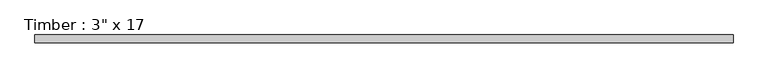
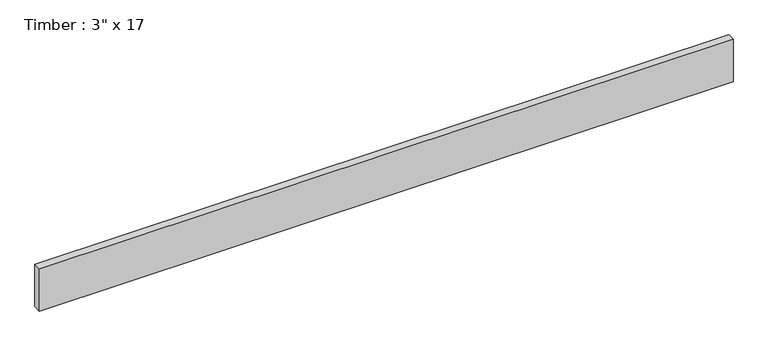
"""IFC4 building model written with IfcOpenShell, lengths in millimetres: beam geometry."""

import ifcopenshell
import ifcopenshell.guid

model = None  # the IFC model being written
_history = None  # IfcOwnerHistory: only IFC2X3 demands one
_inside = {}  # id of a spatial element -> (the spatial element, [elements in it])
_under = {}  # id of a project, library or spatial element -> (it, [spatial elements below it])
_declared = {}  # id of a project -> (the project, [libraries it declares])
_typed = {}  # id of a type object -> (the type object, [elements of that type])
_made_of = {}  # id of a material, layer set ... -> (it, [elements and type objects made of it])


def new_model(schema):
    """Start an empty IFC model of exactly this schema.

    Asked for "IFC4X3", IfcOpenShell would pick the latest addendum, in which some entities
    have other attributes; the version numbers below select the first issue.
    IFC2X3 requires an IfcOwnerHistory on every rooted entity: one is made here for all.
    """
    global model, _history
    if schema == "IFC4X3":
        model = ifcopenshell.file(schema_version=(4, 3, 0, 0))
    else:
        model = ifcopenshell.file(schema=schema)
    _inside.clear()
    _under.clear()
    _declared.clear()
    _typed.clear()
    _made_of.clear()
    _history = None
    if model.schema == "IFC2X3":
        org = make("IfcOrganization", Name="unknown")
        user = make(
            "IfcPersonAndOrganization",
            ThePerson=make("IfcPerson", FamilyName="unknown"),
            TheOrganization=org,
        )
        app = make(
            "IfcApplication",
            ApplicationDeveloper=org,
            Version="unknown",
            ApplicationFullName="unknown",
            ApplicationIdentifier="unknown",
        )
        _history = make(
            "IfcOwnerHistory",
            OwningUser=user,
            OwningApplication=app,
            ChangeAction="ADDED",
            CreationDate=0,
        )
    return model


def make(cls, **values):
    """One entity of the class cls with the attributes given. An attribute that is None is left unset."""
    return model.create_entity(
        cls, **{name: value for name, value in values.items() if value is not None}
    )


def rooted(cls, **values):
    """An entity with a GlobalId (a new one), such as an element, a storey or a relation."""
    return make(cls, GlobalId=ifcopenshell.guid.new(), OwnerHistory=_history, **values)


def si_unit(unit_type, name, prefix=None):
    """IfcSIUnit, for example si_unit("LENGTHUNIT", "METRE", prefix="MILLI")."""
    return make("IfcSIUnit", UnitType=unit_type, Prefix=prefix, Name=name)


def assignment(units):
    """IfcUnitAssignment: the units of a project."""
    return None if units is None else make("IfcUnitAssignment", Units=units)


def point(xyz):
    """IfcCartesianPoint."""
    return None if xyz is None else make("IfcCartesianPoint", Coordinates=xyz)


def direction(xyz):
    """IfcDirection."""
    return None if xyz is None else make("IfcDirection", DirectionRatios=xyz)


def frame(location, z_axis=None, x_axis=None):
    """IfcAxis2Placement3D, a coordinate frame: its origin and axes. An axis left out is left unset."""
    return make(
        "IfcAxis2Placement3D",
        Location=point(location),
        Axis=direction(z_axis),
        RefDirection=direction(x_axis),
    )


def origin():
    """The frame at (0, 0, 0) with its axes left unset."""
    return frame((0.0, 0.0, 0.0))


def place(relative_to, where):
    """IfcLocalPlacement: puts the frame where relative to a parent placement (None: the world)."""
    return make(
        "IfcLocalPlacement", PlacementRelTo=relative_to, RelativePlacement=where
    )


def context(
    kind, dimensions, precision=None, world=None, true_north=None, identifier=None
):
    """IfcGeometricRepresentationContext, for example the 3D "Model" context."""
    return make(
        "IfcGeometricRepresentationContext",
        ContextIdentifier=identifier,
        ContextType=kind,
        CoordinateSpaceDimension=dimensions,
        Precision=precision,
        WorldCoordinateSystem=world,
        TrueNorth=true_north,
    )


def project(units=None, contexts=None):
    """IfcProject with its units and contexts."""
    return rooted(
        "IfcProject",
        Name="project",
        RepresentationContexts=contexts,
        UnitsInContext=assignment(units),
    )


def spatial(cls, under=None, at=None, **own):
    """A site, building, storey or space (cls), placed at a placement, below another one or the project."""
    s = rooted(cls, ObjectPlacement=at, **own)
    if under is not None:
        _under.setdefault(under.id(), (under, []))[1].append(s)
    return s


def polyline(points):
    """IfcPolyline through the points."""
    return make("IfcPolyline", Points=[point(p) for p in points])


def outline(outer, holes=None, kind="AREA"):
    """IfcArbitraryClosedProfileDef: a profile drawn as a closed curve; with holes, ...WithVoids."""
    if holes is None:
        return make("IfcArbitraryClosedProfileDef", ProfileType=kind, OuterCurve=outer)
    return make(
        "IfcArbitraryProfileDefWithVoids",
        ProfileType=kind,
        OuterCurve=outer,
        InnerCurves=holes,
    )


def extrude(swept, where, along, depth):
    """IfcExtrudedAreaSolid: the profile swept, set in the frame where, extruded along a direction by depth."""
    return make(
        "IfcExtrudedAreaSolid",
        SweptArea=swept,
        Position=where,
        ExtrudedDirection=direction(along),
        Depth=depth,
    )


def shape(context_of_items, identifier, shape_type, items):
    """IfcShapeRepresentation: the items that make up one representation, for example the "Body"."""
    return make(
        "IfcShapeRepresentation",
        ContextOfItems=context_of_items,
        RepresentationIdentifier=identifier,
        RepresentationType=shape_type,
        Items=items,
    )


def source(mapping_origin, context_of_items, identifier, shape_type, items):
    """IfcRepresentationMap: a shape defined once, which mapped items show again and again."""
    return make(
        "IfcRepresentationMap",
        MappingOrigin=mapping_origin,
        MappedRepresentation=shape(context_of_items, identifier, shape_type, items),
    )


def transform(
    local_origin,
    x_axis=None,
    y_axis=None,
    z_axis=None,
    scale=None,
    scale2=None,
    scale3=None,
    uniform=True,
):
    """IfcCartesianTransformationOperator3D, or its non-uniform kind. x_axis, y_axis, z_axis: its Axis1, 2, 3."""
    if uniform:
        return make(
            "IfcCartesianTransformationOperator3D",
            Axis1=direction(x_axis),
            Axis2=direction(y_axis),
            LocalOrigin=point(local_origin),
            Scale=scale,
            Axis3=direction(z_axis),
        )
    return make(
        "IfcCartesianTransformationOperator3DnonUniform",
        Axis1=direction(x_axis),
        Axis2=direction(y_axis),
        LocalOrigin=point(local_origin),
        Scale=scale,
        Axis3=direction(z_axis),
        Scale2=scale2,
        Scale3=scale3,
    )


def mapped(mapping_source, mapping_target):
    """IfcMappedItem: shows the shape of a source again, moved by a transform."""
    return make(
        "IfcMappedItem", MappingSource=mapping_source, MappingTarget=mapping_target
    )


def made_of(thing, what):
    """Note that an element or type object is made of a material, layer set ...; save() writes the relation."""
    if what is not None:
        _made_of.setdefault(what.id(), (what, []))[1].append(thing)
    return thing


def element(
    cls,
    number,
    at=None,
    inside=None,
    cuts=None,
    type_object=None,
    material=None,
    context=None,
    identifier="Body",
    shape_type=None,
    held_by="IfcProductDefinitionShape",
    body=None,
    shapes=None,
    **own,
):
    """One element of the class cls, such as IfcWall. Its Tag is "e" and its number.

    at: its placement. inside: the storey or other place that contains it. cuts: it is an
    opening in that element (IfcRelVoidsElement). A single representation is given by context,
    identifier, shape_type and body (its items); several are given by shapes. held_by: the class
    of the entity that holds the representations. save() writes the other relations.
    """
    e = rooted(cls, Tag="e%d" % number, ObjectPlacement=at, **own)
    if body is not None:
        shapes = [shape(context, identifier, shape_type, body)]
    if shapes is not None:
        e.Representation = make(held_by, Representations=shapes)
    if inside is not None:
        _inside.setdefault(inside.id(), (inside, []))[1].append(e)
    if cuts is not None:
        rooted(
            "IfcRelVoidsElement", RelatingBuildingElement=cuts, RelatedOpeningElement=e
        )
    if type_object is not None:
        _typed.setdefault(type_object.id(), (type_object, []))[1].append(e)
    return made_of(e, material)


def aggregate(whole, parts):
    """IfcRelAggregates: a whole, such as a stair, and the parts it consists of."""
    return rooted("IfcRelAggregates", RelatingObject=whole, RelatedObjects=parts)


def save(model, path):
    """Write the relations noted so far, then the file.

    IfcRelAggregates (storeys below a building ...), IfcRelContainedInSpatialStructure (elements
    in a storey), IfcRelDefinesByType, IfcRelAssociatesMaterial and IfcRelDeclares: one each for
    every whole, place, type object, material and project.
    """
    for whole, parts in _under.values():
        aggregate(whole, parts)
    for where, things in _inside.values():
        rooted(
            "IfcRelContainedInSpatialStructure",
            RelatedElements=things,
            RelatingStructure=where,
        )
    for kind, things in _typed.values():
        rooted("IfcRelDefinesByType", RelatedObjects=things, RelatingType=kind)
    for what, things in _made_of.values():
        rooted("IfcRelAssociatesMaterial", RelatedObjects=things, RelatingMaterial=what)
    for by, libraries in _declared.values():
        rooted("IfcRelDeclares", RelatingContext=by, RelatedDefinitions=libraries)
    model.write(path)


def beam_24e2050a(model_context):
    return source(origin(), model_context, "Body", "SweptSolid", [
        extrude(outline(polyline([(3341.3255821, 38.1), (3341.3255821, -38.1), (-3341.3255821, -38.1), (-3341.3255821, 38.1), (3341.3255821, 38.1)])), frame((0.0, 0.0, -215.9), z_axis=(0.0, 0.0, 1.0), x_axis=(1.0, 0.0, 0.0)), (0.0, 0.0, 1.0), 431.8),
    ])


if __name__ == "__main__":
    model = new_model("IFC4")
    model_context = context("Model", 3, world=origin())
    ifc_project = project(units=[si_unit("LENGTHUNIT", "METRE", prefix="MILLI")], contexts=[model_context])
    site = spatial("IfcSite", under=ifc_project)
    building = spatial("IfcBuilding", under=site)
    placement = place(None, origin())
    beam_shape = beam_24e2050a(model_context)
    element("IfcBeam", 1, ObjectType="Timber : 3\" x 17", at=placement, inside=building, context=model_context, shape_type="MappedRepresentation", body=[
        mapped(beam_shape, transform((0.0, 0.0, 0.0), x_axis=(1.0, 0.0, 0.0), y_axis=(0.0, 1.0, 0.0), z_axis=(0.0, 0.0, 1.0))),
    ])
    save(model, "model.ifc")
